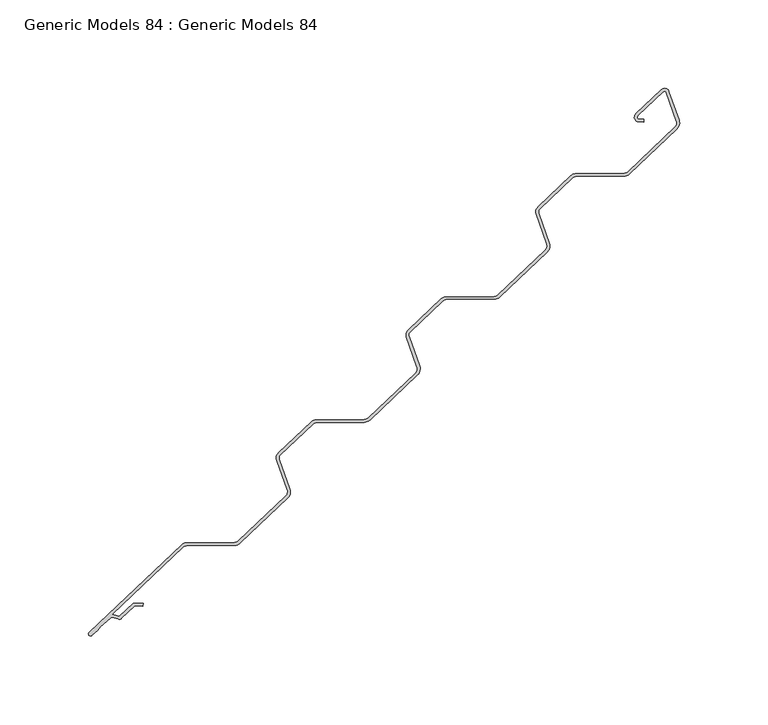
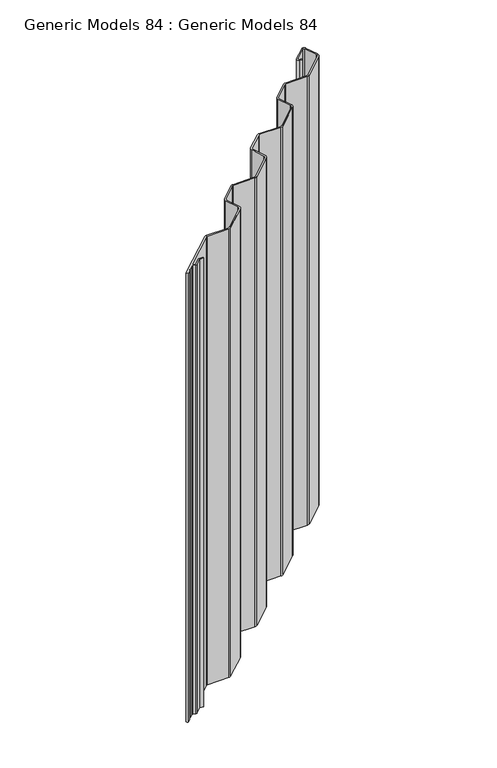
"""IFC4 building model written with IfcOpenShell, lengths in millimetres: proxy geometry, Generic Models 84 : Generic Models 84."""

from ifc_helpers import new_model, si_unit, point, frame, frame_2d, origin, place, context, project, spatial, polyline, circle_curve, trimmed, segment, composite_curve, outline, extrude, source, transform, mapped, element, save


def generic_models_84_generic_models_84_4acb448a(model_context):
    return source(origin(), model_context, "Body", "SweptSolid", [
        extrude(outline(composite_curve([segment(trimmed(circle_curve(frame_2d((108429.9113392, 48492.8457704)), 1.7691088), [point((108431.1291133, 48491.5625042))], [point((108429.4088851, 48491.149514))], False, "CARTESIAN"), True, "CONTINUOUS"), segment(polyline([(108429.4088851, 48491.149514), (108426.0231872, 48492.1524034)]), True, "CONTINUOUS"), segment(trimmed(circle_curve(frame_2d((108425.7217148, 48491.1346495)), 1.0614653), [point((108426.0231872, 48492.1524034))], [point((108424.9910503, 48491.9046092))], True, "CARTESIAN"), True, "CONTINUOUS"), segment(polyline([(108424.9910503, 48491.9046092), (108420.9342495, 48488.054849), (108418.9913813, 48486.7534835), (108417.5901174, 48484.8813861), (108414.4132705, 48481.866671)]), True, "CONTINUOUS"), segment(trimmed(circle_curve(frame_2d((108413.6130189, 48482.7099602)), 1.1625572), [point((108414.4132705, 48481.866671))], [point((108412.8127673, 48483.5532494))], False, "CARTESIAN"), True, "CONTINUOUS"), segment(polyline([(108412.8127673, 48483.5532494), (108465.0866244, 48533.1592875)]), True, "CONTINUOUS"), segment(trimmed(circle_curve(frame_2d((108467.7831243, 48530.3177695)), 3.9173123), [point((108465.0866244, 48533.1592875))], [point((108467.7489397, 48534.2349327))], False, "CARTESIAN"), True, "CONTINUOUS"), segment(polyline([(108467.7489397, 48534.2349327), (108495.0577923, 48534.4732535)]), True, "CONTINUOUS"), segment(trimmed(circle_curve(frame_2d((108495.0302241, 48537.632256)), 3.1591229), [point((108495.0577923, 48534.4732535))], [point((108497.2048208, 48535.3407093))], True, "CARTESIAN"), True, "CONTINUOUS"), segment(polyline([(108497.2048208, 48535.3407093), (108524.0303216, 48560.797159)]), True, "CONTINUOUS"), segment(trimmed(circle_curve(frame_2d((108521.8557249, 48563.0887058)), 3.1591229), [point((108524.0303216, 48560.797159))], [point((108524.8336452, 48564.1432427))], True, "CARTESIAN"), True, "CONTINUOUS"), segment(polyline([(108524.8336452, 48564.1432427), (108518.8673792, 48580.9914582)]), True, "CONTINUOUS"), segment(trimmed(circle_curve(frame_2d((108522.5600003, 48582.299084)), 3.9173123), [point((108518.8673792, 48580.9914582))], [point((108519.8635004, 48585.1406019))], False, "CARTESIAN"), True, "CONTINUOUS"), segment(polyline([(108519.8635004, 48585.1406019), (108538.4161206, 48602.7463811)]), True, "CONTINUOUS"), segment(trimmed(circle_curve(frame_2d((108541.1126205, 48599.9048631)), 3.9173123), [point((108538.4161206, 48602.7463811))], [point((108541.0784359, 48603.8220263))], False, "CARTESIAN"), True, "CONTINUOUS"), segment(polyline([(108541.0784359, 48603.8220263), (108568.3872885, 48604.0603471)]), True, "CONTINUOUS"), segment(trimmed(circle_curve(frame_2d((108568.3597203, 48607.2193496)), 3.1591229), [point((108568.3872885, 48604.0603471))], [point((108570.534317, 48604.9278029))], True, "CARTESIAN"), True, "CONTINUOUS"), segment(polyline([(108570.534317, 48604.9278029), (108597.3598178, 48630.3842526)]), True, "CONTINUOUS"), segment(trimmed(circle_curve(frame_2d((108595.1852211, 48632.6757994)), 3.1591229), [point((108597.3598178, 48630.3842526))], [point((108598.1631414, 48633.7303362))], True, "CARTESIAN"), True, "CONTINUOUS"), segment(polyline([(108598.1631414, 48633.7303362), (108592.1968754, 48650.5785518)]), True, "CONTINUOUS"), segment(trimmed(circle_curve(frame_2d((108595.8894965, 48651.8861775)), 3.9173123), [point((108592.1968754, 48650.5785518))], [point((108593.1929966, 48654.7276955))], False, "CARTESIAN"), True, "CONTINUOUS"), segment(polyline([(108593.1929966, 48654.7276955), (108611.7456168, 48672.3334747)]), True, "CONTINUOUS"), segment(trimmed(circle_curve(frame_2d((108614.4421167, 48669.4919567)), 3.9173123), [point((108611.7456168, 48672.3334747))], [point((108614.4079321, 48673.4091199))], False, "CARTESIAN"), True, "CONTINUOUS"), segment(polyline([(108614.4079321, 48673.4091199), (108641.7167847, 48673.6474407)]), True, "CONTINUOUS"), segment(trimmed(circle_curve(frame_2d((108641.6892165, 48676.8064432)), 3.1591229), [point((108641.7167847, 48673.6474407))], [point((108643.8638132, 48674.5148965))], True, "CARTESIAN"), True, "CONTINUOUS"), segment(polyline([(108643.8638132, 48674.5148965), (108670.689314, 48699.9713462)]), True, "CONTINUOUS"), segment(trimmed(circle_curve(frame_2d((108668.5147173, 48702.262893)), 3.1591229), [point((108670.689314, 48699.9713462))], [point((108671.4926376, 48703.3174298))], True, "CARTESIAN"), True, "CONTINUOUS"), segment(polyline([(108671.4926376, 48703.3174298), (108665.5263716, 48720.1656454)]), True, "CONTINUOUS"), segment(trimmed(circle_curve(frame_2d((108669.2189927, 48721.4732711)), 3.9173123), [point((108665.5263716, 48720.1656454))], [point((108666.5224928, 48724.3147891))], False, "CARTESIAN"), True, "CONTINUOUS"), segment(polyline([(108666.5224928, 48724.3147891), (108685.075113, 48741.9205683)]), True, "CONTINUOUS"), segment(trimmed(circle_curve(frame_2d((108687.7716129, 48739.0790503)), 3.9173123), [point((108685.075113, 48741.9205683))], [point((108687.7374283, 48742.9962135))], False, "CARTESIAN"), True, "CONTINUOUS"), segment(polyline([(108687.7374283, 48742.9962135), (108715.0462809, 48743.2345342)]), True, "CONTINUOUS"), segment(trimmed(circle_curve(frame_2d((108715.0187127, 48746.3935368)), 3.1591229), [point((108715.0462809, 48743.2345342))], [point((108717.1933094, 48744.1019901))], True, "CARTESIAN"), True, "CONTINUOUS"), segment(polyline([(108717.1933094, 48744.1019901), (108744.0188102, 48769.5584398)]), True, "CONTINUOUS"), segment(trimmed(circle_curve(frame_2d((108741.8442135, 48771.8499865)), 3.1591229), [point((108744.0188102, 48769.5584398))], [point((108744.8221338, 48772.9045234))], True, "CARTESIAN"), True, "CONTINUOUS"), segment(polyline([(108744.8221338, 48772.9045234), (108739.1063779, 48789.0453203)]), True, "CONTINUOUS"), segment(trimmed(circle_curve(frame_2d((108738.1057967, 48788.6909959)), 1.0614653), [point((108739.1063779, 48789.0453203))], [point((108737.3751322, 48789.4609556))], True, "CARTESIAN"), True, "CONTINUOUS"), segment(polyline([(108737.3751322, 48789.4609556), (108722.977065, 48775.7977)]), True, "CONTINUOUS"), segment(trimmed(circle_curve(frame_2d((108723.7077294, 48775.0277403)), 1.0614653), [point((108722.977065, 48775.7977))], [point((108723.6799435, 48773.9666387))], True, "CARTESIAN"), True, "CONTINUOUS"), segment(polyline([(108723.6799435, 48773.9666387), (108726.4342432, 48773.8945148), (108726.3926873, 48772.3075588), (108723.6383876, 48772.3796827)]), True, "CONTINUOUS"), segment(trimmed(circle_curve(frame_2d((108723.7077294, 48775.0277403)), 2.6489653), [point((108723.6383876, 48772.3796827))], [point((108721.8843021, 48776.9492318))], False, "CARTESIAN"), True, "CONTINUOUS"), segment(polyline([(108721.8843021, 48776.9492318), (108736.2823693, 48790.6124874)]), True, "CONTINUOUS"), segment(trimmed(circle_curve(frame_2d((108738.1057967, 48788.6909959)), 2.6489653), [point((108736.2823693, 48790.6124874))], [point((108740.6028212, 48789.5752386))], False, "CARTESIAN"), True, "CONTINUOUS"), segment(polyline([(108740.6028212, 48789.5752386), (108746.3185772, 48773.4344418)]), True, "CONTINUOUS"), segment(trimmed(circle_curve(frame_2d((108741.8442135, 48771.8499865)), 4.7466229), [point((108746.3185772, 48773.4344418))], [point((108745.1115731, 48768.406908))], False, "CARTESIAN"), True, "CONTINUOUS"), segment(polyline([(108745.1115731, 48768.406908), (108718.2860723, 48742.9504582)]), True, "CONTINUOUS"), segment(trimmed(circle_curve(frame_2d((108715.0187127, 48746.3935368)), 4.7466229), [point((108718.2860723, 48742.9504582))], [point((108715.0601343, 48741.6470947))], False, "CARTESIAN"), True, "CONTINUOUS"), segment(polyline([(108715.0601343, 48741.6470947), (108687.7512817, 48741.4087739)]), True, "CONTINUOUS"), segment(trimmed(circle_curve(frame_2d((108687.7716129, 48739.0790503)), 2.3298123), [point((108687.7512817, 48741.4087739))], [point((108686.1678759, 48740.7690365))], True, "CARTESIAN"), True, "CONTINUOUS"), segment(polyline([(108686.1678759, 48740.7690365), (108667.6152557, 48723.1632573)]), True, "CONTINUOUS"), segment(trimmed(circle_curve(frame_2d((108669.2189927, 48721.4732711)), 2.3298123), [point((108667.6152557, 48723.1632573))], [point((108667.0228149, 48720.6955638))], True, "CARTESIAN"), True, "CONTINUOUS"), segment(polyline([(108667.0228149, 48720.6955638), (108672.989081, 48703.8473482)]), True, "CONTINUOUS"), segment(trimmed(circle_curve(frame_2d((108668.5147173, 48702.262893)), 4.7466229), [point((108672.989081, 48703.8473482))], [point((108671.7820769, 48698.8198144))], False, "CARTESIAN"), True, "CONTINUOUS"), segment(polyline([(108671.7820769, 48698.8198144), (108644.9565761, 48673.3633647)]), True, "CONTINUOUS"), segment(trimmed(circle_curve(frame_2d((108641.6892165, 48676.8064432)), 4.7466229), [point((108644.9565761, 48673.3633647))], [point((108641.7306381, 48672.0600011))], False, "CARTESIAN"), True, "CONTINUOUS"), segment(polyline([(108641.7306381, 48672.0600011), (108614.4217855, 48671.8216804)]), True, "CONTINUOUS"), segment(trimmed(circle_curve(frame_2d((108614.4421167, 48669.4919567)), 2.3298123), [point((108614.4217855, 48671.8216804))], [point((108612.8383797, 48671.1819429))], True, "CARTESIAN"), True, "CONTINUOUS"), segment(polyline([(108612.8383797, 48671.1819429), (108594.2857595, 48653.5761637)]), True, "CONTINUOUS"), segment(trimmed(circle_curve(frame_2d((108595.8894965, 48651.8861775)), 2.3298123), [point((108594.2857595, 48653.5761637))], [point((108593.6933187, 48651.1084702))], True, "CARTESIAN"), True, "CONTINUOUS"), segment(polyline([(108593.6933187, 48651.1084702), (108599.6595848, 48634.2602546)]), True, "CONTINUOUS"), segment(trimmed(circle_curve(frame_2d((108595.1852211, 48632.6757994)), 4.7466229), [point((108599.6595848, 48634.2602546))], [point((108598.4525807, 48629.2327208))], False, "CARTESIAN"), True, "CONTINUOUS"), segment(polyline([(108598.4525807, 48629.2327208), (108571.6270799, 48603.7762711)]), True, "CONTINUOUS"), segment(trimmed(circle_curve(frame_2d((108568.3597203, 48607.2193496)), 4.7466229), [point((108571.6270799, 48603.7762711))], [point((108568.4011419, 48602.4729075))], False, "CARTESIAN"), True, "CONTINUOUS"), segment(polyline([(108568.4011419, 48602.4729075), (108541.0922893, 48602.2345868)]), True, "CONTINUOUS"), segment(trimmed(circle_curve(frame_2d((108541.1126205, 48599.9048631)), 2.3298123), [point((108541.0922893, 48602.2345868))], [point((108539.5088835, 48601.5948493))], True, "CARTESIAN"), True, "CONTINUOUS"), segment(polyline([(108539.5088835, 48601.5948493), (108520.9562633, 48583.9890701)]), True, "CONTINUOUS"), segment(trimmed(circle_curve(frame_2d((108522.5600003, 48582.299084)), 2.3298123), [point((108520.9562633, 48583.9890701))], [point((108520.3638225, 48581.5213766))], True, "CARTESIAN"), True, "CONTINUOUS"), segment(polyline([(108520.3638225, 48581.5213766), (108526.3300886, 48564.673161)]), True, "CONTINUOUS"), segment(trimmed(circle_curve(frame_2d((108521.8557249, 48563.0887058)), 4.7466229), [point((108526.3300886, 48564.673161))], [point((108525.1230845, 48559.6456272))], False, "CARTESIAN"), True, "CONTINUOUS"), segment(polyline([(108525.1230845, 48559.6456272), (108498.2975837, 48534.1891775)]), True, "CONTINUOUS"), segment(trimmed(circle_curve(frame_2d((108495.0302241, 48537.632256)), 4.7466229), [point((108498.2975837, 48534.1891775))], [point((108495.0716457, 48532.8858139))], False, "CARTESIAN"), True, "CONTINUOUS"), segment(polyline([(108495.0716457, 48532.8858139), (108467.7627931, 48532.6474932)]), True, "CONTINUOUS"), segment(trimmed(circle_curve(frame_2d((108467.7831243, 48530.3177695)), 2.3298123), [point((108467.7627931, 48532.6474932))], [point((108466.1793873, 48532.0077557))], True, "CARTESIAN"), True, "CONTINUOUS"), segment(polyline([(108466.1793873, 48532.0077557), (108425.9486116, 48493.8301751), (108429.9602936, 48492.6418607), (108437.8778002, 48500.155294), (108443.2947331, 48500.0134466), (108443.2531772, 48498.4264906), (108438.493583, 48498.551125), (108431.1291133, 48491.5625042)]), True, "CONTINUOUS")], self_intersect=False)), frame((0.0, 0.0, 18091.6570558), z_axis=(0.0, 0.0, 1.0), x_axis=(1.0, 0.0, 0.0)), (0.0, 0.0, 1.0), 599.7449382),
    ])


if __name__ == "__main__":
    model = new_model("IFC4")
    model_context = context("Model", 3, world=origin())
    ifc_project = project(units=[si_unit("LENGTHUNIT", "METRE", prefix="MILLI")], contexts=[model_context])
    site = spatial("IfcSite", under=ifc_project)
    building = spatial("IfcBuilding", under=site)
    placement = place(None, origin())
    generic_models_84_generic_models_84_shape = generic_models_84_generic_models_84_4acb448a(model_context)
    element("IfcBuildingElementProxy", 1, Name="Generic Models 84 : Generic Models 84", ObjectType="Generic Models 84 : Generic Models 84", at=placement, inside=building, context=model_context, shape_type="MappedRepresentation", body=[
        mapped(generic_models_84_generic_models_84_shape, transform((0.0, 0.0, 0.0), x_axis=(1.0, 0.0, 0.0), y_axis=(0.0, 1.0, 0.0), z_axis=(0.0, 0.0, 1.0))),
    ])
    save(model, "model.ifc")
